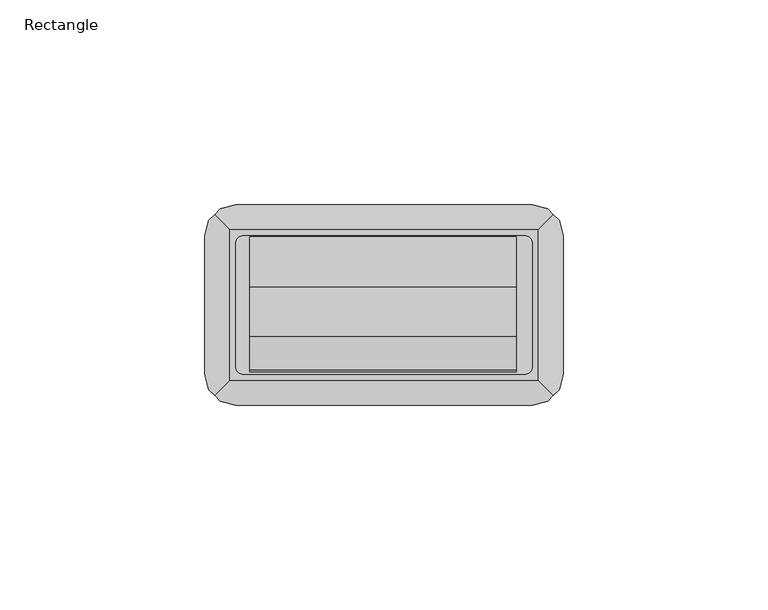
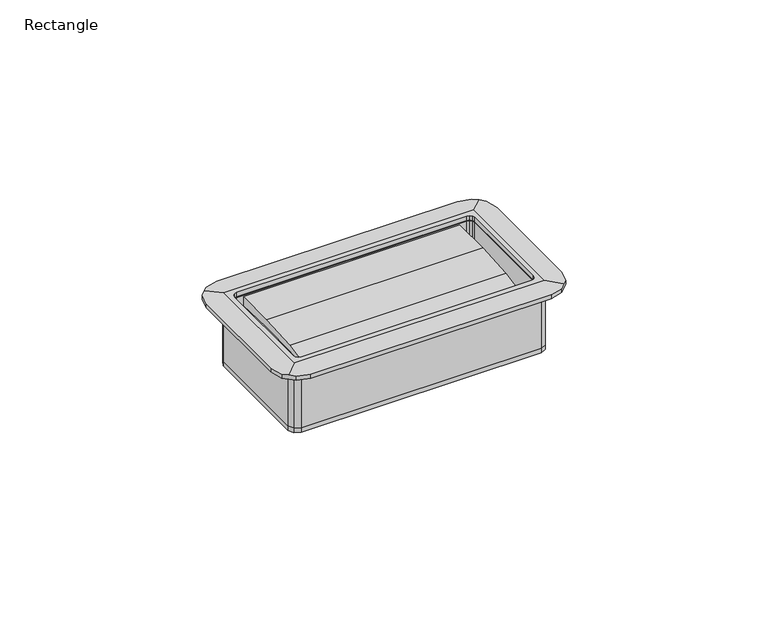
"""IFC4 building model written with IfcOpenShell, lengths in millimetres: furniture geometry, Rectangle."""

from ifc_helpers import new_model, si_unit, frame, origin, origin_with_axes, place, context, project, spatial, polyline, outline, extrude, faceted_brep, source, transform, mapped, element, save


def rectangle_3288240d(model_context):
    return source(origin(), model_context, "Body", "SolidModel", [
        extrude(outline(polyline([(-36.1696005, 2.5399999), (36.1695978, 2.5399999), (37.9044506, 1.7348522), (38.7095976, -1e-07), (38.7095976, -33.7311994), (37.9044506, -35.4660522), (36.1695978, -36.2711992), (-36.1696005, -36.2711992), (-37.9044532, -35.4660522), (-38.7096003, -33.7311994), (-38.7096003, -1e-07), (-37.9044532, 1.7348522), (-36.1696005, 2.5399999)]), holes=[polyline([(-36.1696005, -1.5240001), (-36.1696005, -32.2072009), (-35.9654228, -32.9692001), (-35.4076012, -33.5270217), (-34.6456019, -33.7311994), (34.6455992, -33.7311994), (35.4075985, -33.5270217), (35.9654224, -32.9692001), (36.1695978, -32.2072009), (36.1695978, -1.5240001), (35.9654224, -0.762), (35.4075985, -0.2041775), (34.6455992, -1e-07), (-34.6456019, -1e-07), (-35.4076012, -0.2041775), (-35.9654228, -0.762), (-36.1696005, -1.5240001)])]), frame((0.0, 0.0, 1.4732011), z_axis=(0.0, 0.0, 1.0), x_axis=(1.0, 0.0, 0.0)), (0.0, 0.0, 1.0), 18.8468),
        faceted_brep([(-36.1696005, -41.3511989, 20.3200011), (36.1696005, -41.3511989, 20.3200011), (36.1696005, -41.3511989, 21.463001), (-36.1696005, -41.3511989, 21.463001), (36.1696005, 7.62, 20.3200011), (-36.1696005, 7.62, 20.3200011), (-36.1696005, 7.62, 21.4630009), (36.1696005, 7.62, 21.4630009), (-43.7896, -33.7311988, 21.463001), (-43.7896, -1e-07, 21.463001), (-43.7896, -1e-07, 20.3200011), (-43.7896, -33.7311988, 20.3200011), (-39.9795991, -40.3303126, 20.3200011), (-42.7687139, -37.5411989, 20.3200011), (-42.7687139, 3.8099999, 20.3200011), (-39.9795991, 6.5991136, 20.3200011), (39.9795991, 6.5991136, 20.3200011), (42.7687139, 3.8099999, 20.3200011), (43.7895973, 9.9e-06, 20.3200011), (43.7895973, -33.7312088, 20.3200011), (42.7687139, -37.5411989, 20.3200011), (39.9795991, -40.3303126, 20.3200011), (-36.1696005, -1.5240001, 20.3200011), (-36.1696005, -32.2072009, 20.3200011), (-35.9654228, -32.9692001, 20.3200011), (-35.4076012, -33.5270217, 20.3200011), (-34.6456019, -33.7311994, 20.3200011), (34.6455992, -33.7311994, 20.3200011), (35.4075985, -33.5270217, 20.3200011), (35.9654224, -32.9692001, 20.3200011), (36.1695978, -32.2072009, 20.3200011), (36.1695978, -1.5240001, 20.3200011), (35.9654224, -0.762, 20.3200011), (35.4075985, -0.2041775, 20.3200011), (34.6455992, -1e-07, 20.3200011), (-34.6456019, -1e-07, 20.3200011), (-35.4076012, -0.2041775, 20.3200011), (-35.9654228, -0.762, 20.3200011), (43.7895973, 9.9e-06, 21.463001), (43.7895973, -33.7312088, 21.463001), (37.6935986, 1.5239993, 21.971001), (37.6935986, -35.2552002, 21.971001), (41.3741553, -38.9357569, 21.6642879), (42.7687139, -37.5411989, 21.5480747), (42.7687139, 3.8099999, 21.5480747), (41.3741563, 5.204557, 21.6642878), (-37.6936013, -35.2552002, 21.971001), (-37.6936013, 1.5239993, 21.971001), (-36.1696005, -32.2072009, 21.971001), (-36.1696005, -1.5240001, 21.971001), (-35.9654228, -0.762, 21.971001), (-35.4076012, -0.2041775, 21.971001), (-34.6456019, -1e-07, 21.971001), (34.6455992, -1e-07, 21.971001), (35.4075985, -0.2041775, 21.971001), (35.9654224, -0.762, 21.971001), (36.1695978, -1.5240001, 21.971001), (36.1695978, -32.2072009, 21.971001), (35.9654224, -32.9692001, 21.971001), (35.4075985, -33.5270217, 21.971001), (34.6455992, -33.7311994, 21.971001), (-34.6456019, -33.7311994, 21.971001), (-35.4076012, -33.5270217, 21.971001), (-35.9654228, -32.9692001, 21.971001), (-41.3741576, 5.2045557, 21.6642879), (-42.7687139, 3.8099999, 21.5480749), (-42.7687139, -37.5411989, 21.5480749), (-41.3741566, -38.9357556, 21.664288), (-39.9795991, -40.3303126, 21.5480749), (39.9795991, -40.3303126, 21.5480749), (39.9795991, 6.5991136, 21.5480748), (-39.9795991, 6.5991136, 21.5480748)], [[[0, 1, 2, 3]], [[4, 5, 6, 7]], [[8, 9, 10, 11]], [[1, 0, 12, 13, 11, 10, 14, 15, 5, 4, 16, 17, 18, 19, 20, 21], [22, 23, 24, 25, 26, 27, 28, 29, 30, 31, 32, 33, 34, 35, 36, 37]], [[19, 18, 38, 39]], [[40, 41, 42, 43, 39, 38, 44, 45]], [[46, 41, 40, 47], [48, 49, 50, 51, 52, 53, 54, 55, 56, 57, 58, 59, 60, 61, 62, 63]], [[46, 47, 64, 65, 9, 8, 66, 67]], [[41, 46, 67, 68, 3, 2, 69, 42]], [[47, 40, 45, 70, 7, 6, 71, 64]], [[14, 65, 64, 71, 15]], [[15, 71, 6, 5]], [[65, 14, 10, 9]], [[17, 44, 38, 18]], [[70, 16, 4, 7]], [[44, 17, 16, 70, 45]], [[13, 66, 8, 11]], [[68, 12, 0, 3]], [[66, 13, 12, 68, 67]], [[20, 43, 42, 69, 21]], [[21, 69, 2, 1]], [[43, 20, 19, 39]], [[22, 49, 48, 23]], [[23, 48, 63, 24]], [[24, 63, 62, 25]], [[25, 62, 61, 26]], [[26, 61, 60, 27]], [[27, 60, 59, 28]], [[28, 59, 58, 29]], [[29, 58, 57, 30]], [[30, 57, 56, 31]], [[31, 56, 55, 32]], [[32, 55, 54, 33]], [[33, 54, 53, 34]], [[34, 53, 52, 35]], [[35, 52, 51, 36]], [[36, 51, 50, 37]], [[49, 22, 37, 50]]]),
        extrude(outline(polyline([(-32.7707248, 17.8605408), (-24.4749216, 19.3995567), (-12.3684397, 20.1931241), (-0.2360603, 20.2382193), (-0.3109689, 17.4800681), (-12.5291153, 17.8790521), (-24.7492417, 17.5461628), (-33.1888951, 16.4825928), (-32.7707248, 17.8605408)])), frame((-32.8505307, 0.0, 0.0), z_axis=(1.0, 0.0, 0.0), x_axis=(0.0, 1.0, 0.0)), (0.0, 0.0, 1.0), 65.1763996),
        extrude(outline(polyline([(-36.1696005, 2.5399999), (36.1695978, 2.5399999), (37.9044506, 1.7348522), (38.7095976, -1e-07), (38.7095976, -33.7311994), (37.9044506, -35.4660522), (36.1695978, -36.2711992), (-36.1696005, -36.2711992), (-37.9044532, -35.4660522), (-38.7096003, -33.7311994), (-38.7096003, -1e-07), (-37.9044532, 1.7348522), (-36.1696005, 2.5399999)])), origin_with_axes(), (0.0, 0.0, 1.0), 1.4732011),
    ])


if __name__ == "__main__":
    model = new_model("IFC4")
    model_context = context("Model", 3, world=origin())
    ifc_project = project(units=[si_unit("LENGTHUNIT", "METRE", prefix="MILLI")], contexts=[model_context])
    site = spatial("IfcSite", under=ifc_project)
    building = spatial("IfcBuilding", under=site)
    placement = place(None, origin())
    ifc_rectangle_shape = rectangle_3288240d(model_context)
    element("IfcFurniture", 1, ObjectType="Rectangle", at=placement, inside=building, context=model_context, shape_type="MappedRepresentation", body=[
        mapped(ifc_rectangle_shape, transform((0.0, 0.0, 0.0), x_axis=(1.0, 0.0, 0.0), y_axis=(0.0, 1.0, 0.0), z_axis=(0.0, 0.0, 1.0))),
    ])
    save(model, "model.ifc")
